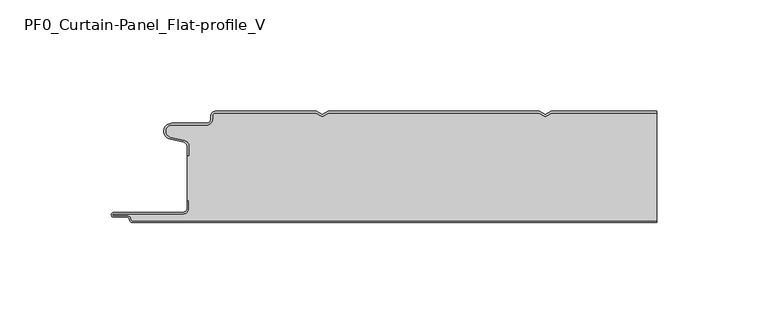
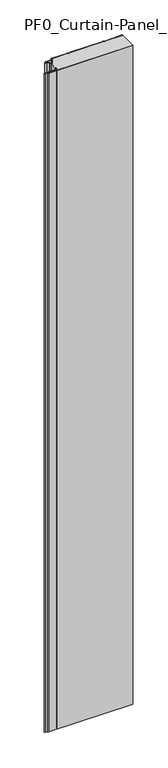
"""IFC4 building model written with IfcOpenShell, lengths in millimetres: plate geometry, PF0_Curtain-Panel_Flat-profile_V."""

from ifc_helpers import new_model, si_unit, point, frame_2d, origin, origin_with_axes, place, context, project, spatial, polyline, circle_curve, trimmed, segment, composite_curve, outline, extrude, source, transform, mapped, element, save


def pf0_curtain_panel_flat_profile_v_ff746185(model_context):
    return source(origin(), model_context, "Body", "SweptSolid", [
        extrude(outline(composite_curve([segment(trimmed(circle_curve(frame_2d((-102.0119739, -15.878557)), 2.0), [point((-100.0119739, -15.878557))], [point((-101.5620718, -13.9298169))], True, "CARTESIAN"), True, "CONTINUOUS"), segment(polyline([(-101.5620718, -13.9298169), (-107.7217978, -12.507732)]), True, "CONTINUOUS"), segment(trimmed(circle_curve(frame_2d((-106.9119739, -9.0)), 3.6), [point((-107.7217978, -12.507732))], [point((-106.9119739, -5.4))], False, "CARTESIAN"), True, "CONTINUOUS"), segment(polyline([(-106.9119739, -5.4), (-91.4119739, -5.4)]), True, "CONTINUOUS"), segment(trimmed(circle_curve(frame_2d((-91.4119739, -3.4)), 2.0), [point((-91.4119739, -5.4))], [point((-89.4119739, -3.4))], True, "CARTESIAN"), True, "CONTINUOUS"), segment(polyline([(-89.4119739, -3.4), (-89.4119739, -2.0)]), True, "CONTINUOUS"), segment(trimmed(circle_curve(frame_2d((-87.4119739, -2.0)), 2.0), [point((-89.4119739, -2.0))], [point((-87.4119739, 0.0))], False, "CARTESIAN"), True, "CONTINUOUS"), segment(polyline([(-87.4119739, 0.0), (-42.1119734, 0.0), (-39.4119739, -1.5588455), (-36.7119745, 0.0), (57.8880266, 0.0), (60.5880261, -1.5588455), (63.2880255, 0.0), (110.6119739, 0.0), (110.6119739, -0.8), (63.5023849, -0.8), (60.5880261, -2.482606), (57.6736672, -0.8), (-36.4976151, -0.8), (-39.4119739, -2.482606), (-42.3263328, -0.8), (-87.4119739, -0.8)]), True, "CONTINUOUS"), segment(trimmed(circle_curve(frame_2d((-87.4119739, -2.0)), 1.2), [point((-87.4119739, -0.8))], [point((-88.6119739, -2.0))], True, "CARTESIAN"), True, "CONTINUOUS"), segment(polyline([(-88.6119739, -2.0), (-88.6119739, -3.4)]), True, "CONTINUOUS"), segment(trimmed(circle_curve(frame_2d((-91.4119739, -3.4)), 2.8), [point((-88.6119739, -3.4))], [point((-91.4119739, -6.2))], False, "CARTESIAN"), True, "CONTINUOUS"), segment(polyline([(-91.4119739, -6.2), (-106.9119739, -6.2)]), True, "CONTINUOUS"), segment(trimmed(circle_curve(frame_2d((-106.9119739, -9.0)), 2.8), [point((-106.9119739, -6.2))], [point((-107.541837, -11.7282362))], True, "CARTESIAN"), True, "CONTINUOUS"), segment(polyline([(-107.541837, -11.7282362), (-101.3821109, -13.150321)]), True, "CONTINUOUS"), segment(trimmed(circle_curve(frame_2d((-102.0119739, -15.878557)), 2.8), [point((-101.3821109, -13.150321))], [point((-99.2119739, -15.878557))], False, "CARTESIAN"), True, "CONTINUOUS"), segment(polyline([(-99.2119739, -15.878557), (-99.2119739, -20.0), (-100.0119739, -20.0), (-100.0119739, -15.878557)]), True, "CONTINUOUS")], self_intersect=False)), origin_with_axes(), (0.0, 0.0, 1.0), 1945.7507136),
        extrude(outline(composite_curve([segment(polyline([(-99.2119739, -40.0), (-100.0119739, -40.0), (-100.0119739, -20.0), (-99.2119739, -20.0), (-99.2119739, -15.878557)]), True, "CONTINUOUS"), segment(trimmed(circle_curve(frame_2d((-102.0119739, -15.878557)), 2.8), [point((-99.2119739, -15.878557))], [point((-101.3821109, -13.1503208))], True, "CARTESIAN"), True, "CONTINUOUS"), segment(polyline([(-101.3821109, -13.1503208), (-107.5418369, -11.7282362)]), True, "CONTINUOUS"), segment(trimmed(circle_curve(frame_2d((-106.9119739, -9.0)), 2.8), [point((-107.5418369, -11.7282362))], [point((-106.9119739, -6.2))], False, "CARTESIAN"), True, "CONTINUOUS"), segment(polyline([(-106.9119739, -6.2), (-91.4119739, -6.2)]), True, "CONTINUOUS"), segment(trimmed(circle_curve(frame_2d((-91.4119739, -3.4)), 2.8), [point((-91.4119739, -6.2))], [point((-88.6119739, -3.4))], True, "CARTESIAN"), True, "CONTINUOUS"), segment(polyline([(-88.6119739, -3.4), (-88.6119739, -2.0)]), True, "CONTINUOUS"), segment(trimmed(circle_curve(frame_2d((-87.4119739, -2.0)), 1.2), [point((-88.6119739, -2.0))], [point((-87.4119739, -0.8))], False, "CARTESIAN"), True, "CONTINUOUS"), segment(polyline([(-87.4119739, -0.8), (-42.3263328, -0.8), (-39.4119739, -2.482606), (-36.4976151, -0.8), (57.6736672, -0.8), (60.5880261, -2.482606), (63.5023849, -0.8), (110.6119739, -0.8), (110.6119739, -49.2), (-124.4119739, -49.2)]), True, "CONTINUOUS"), segment(trimmed(circle_curve(frame_2d((-124.4119739, -48.4)), 0.8), [point((-124.4119739, -49.2))], [point((-125.2119739, -48.4))], False, "CARTESIAN"), True, "CONTINUOUS"), segment(trimmed(circle_curve(frame_2d((-126.9119739, -48.6133333)), 1.7133333), [point((-125.2119739, -48.4))], [point((-126.9119739, -46.9))], True, "CARTESIAN"), True, "CONTINUOUS"), segment(polyline([(-126.9119739, -46.9), (-132.8820051, -46.9)]), True, "CONTINUOUS"), segment(trimmed(circle_curve(frame_2d((-132.8820051, -46.6)), 0.3), [point((-132.8820051, -46.9))], [point((-132.8820051, -46.3))], False, "CARTESIAN"), True, "CONTINUOUS"), segment(polyline([(-132.8820051, -46.3), (-102.0119739, -46.3)]), True, "CONTINUOUS"), segment(trimmed(circle_curve(frame_2d((-102.0119739, -43.5)), 2.8), [point((-102.0119739, -46.3))], [point((-99.2119739, -43.5))], True, "CARTESIAN"), True, "CONTINUOUS"), segment(polyline([(-99.2119739, -43.5), (-99.2119739, -40.0)]), True, "CONTINUOUS")], self_intersect=False)), origin_with_axes(), (0.0, 0.0, 1.0), 1945.7507136),
        extrude(outline(composite_curve([segment(polyline([(-100.0119739, -40.0), (-99.2119739, -40.0), (-99.2119739, -43.5)]), True, "CONTINUOUS"), segment(trimmed(circle_curve(frame_2d((-102.0119739, -43.5)), 2.8), [point((-99.2119739, -43.5))], [point((-102.0119739, -46.3))], False, "CARTESIAN"), True, "CONTINUOUS"), segment(polyline([(-102.0119739, -46.3), (-132.8820051, -46.3)]), True, "CONTINUOUS"), segment(trimmed(circle_curve(frame_2d((-132.8820051, -46.6)), 0.3), [point((-132.8820051, -46.3))], [point((-132.8820051, -46.9))], True, "CARTESIAN"), True, "CONTINUOUS"), segment(polyline([(-132.8820051, -46.9), (-126.9119739, -46.9)]), True, "CONTINUOUS"), segment(trimmed(circle_curve(frame_2d((-126.9119739, -48.6133333)), 1.7133333), [point((-126.9119739, -46.9))], [point((-125.2119739, -48.4))], False, "CARTESIAN"), True, "CONTINUOUS"), segment(trimmed(circle_curve(frame_2d((-124.4119739, -48.4)), 0.8), [point((-125.2119739, -48.4))], [point((-124.4119739, -49.2))], True, "CARTESIAN"), True, "CONTINUOUS"), segment(polyline([(-124.4119739, -49.2), (110.6119739, -49.2), (110.6119739, -50.0), (-124.4119739, -50.0)]), True, "CONTINUOUS"), segment(trimmed(circle_curve(frame_2d((-124.4119739, -48.4)), 1.6), [point((-124.4119739, -50.0))], [point((-126.0119739, -48.4))], False, "CARTESIAN"), True, "CONTINUOUS"), segment(trimmed(circle_curve(frame_2d((-126.9119739, -48.4)), 0.9), [point((-126.0119739, -48.4))], [point((-126.9119739, -47.5))], True, "CARTESIAN"), True, "CONTINUOUS"), segment(polyline([(-126.9119739, -47.5), (-133.0119739, -47.5)]), True, "CONTINUOUS"), segment(trimmed(circle_curve(frame_2d((-133.0119739, -46.5)), 1.0), [point((-133.0119739, -47.5))], [point((-133.0119739, -45.5))], False, "CARTESIAN"), True, "CONTINUOUS"), segment(polyline([(-133.0119739, -45.5), (-102.0119739, -45.5)]), True, "CONTINUOUS"), segment(trimmed(circle_curve(frame_2d((-102.0119739, -43.5)), 2.0), [point((-102.0119739, -45.5))], [point((-100.0119739, -43.5))], True, "CARTESIAN"), True, "CONTINUOUS"), segment(polyline([(-100.0119739, -43.5), (-100.0119739, -40.0)]), True, "CONTINUOUS")], self_intersect=False)), origin_with_axes(), (0.0, 0.0, 1.0), 1945.7507136),
    ])


if __name__ == "__main__":
    model = new_model("IFC4")
    model_context = context("Model", 3, world=origin())
    ifc_project = project(units=[si_unit("LENGTHUNIT", "METRE", prefix="MILLI")], contexts=[model_context])
    site = spatial("IfcSite", under=ifc_project)
    building = spatial("IfcBuilding", under=site)
    placement = place(None, origin())
    pf0_curtain_panel_flat_profile_v_shape = pf0_curtain_panel_flat_profile_v_ff746185(model_context)
    element("IfcPlate", 1, ObjectType="PF0_Curtain-Panel_Flat-profile_V", at=placement, inside=building, context=model_context, shape_type="MappedRepresentation", body=[
        mapped(pf0_curtain_panel_flat_profile_v_shape, transform((0.0, 0.0, 0.0), x_axis=(1.0, 0.0, 0.0), y_axis=(0.0, 1.0, 0.0), z_axis=(0.0, 0.0, 1.0))),
    ])
    save(model, "model.ifc")
